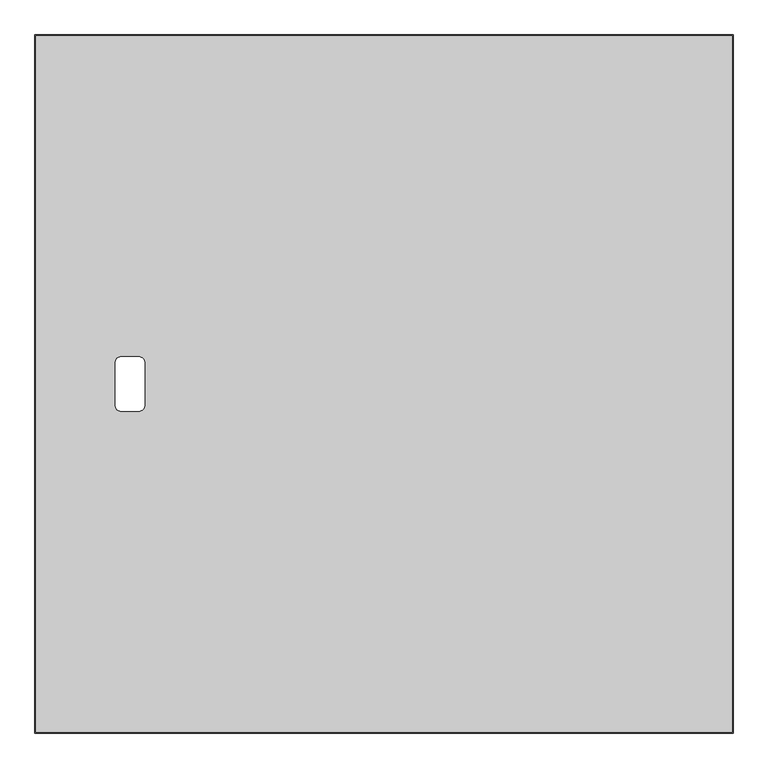
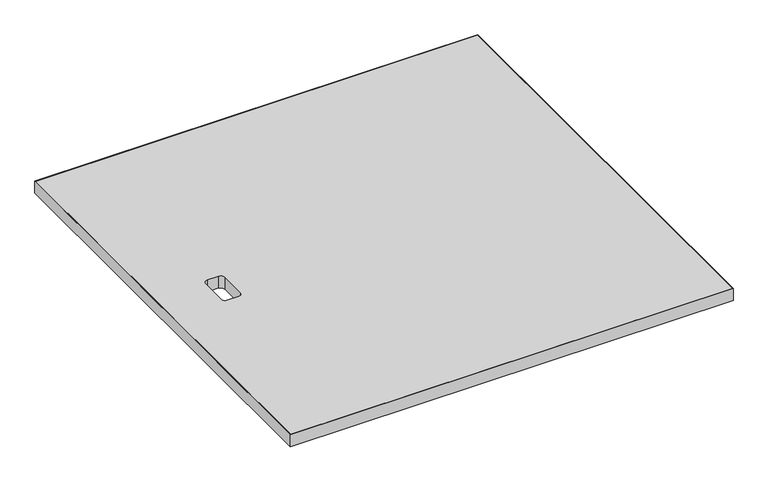
"""IFC4 building model written with IfcOpenShell, lengths in millimetres: furniture geometry."""

from ifc_helpers import new_model, si_unit, point, frame, frame_2d, origin, place, context, project, spatial, polyline, circle_curve, trimmed, segment, composite_curve, outline, extrude, source, transform, mapped, element, save


def furniture_313f5ff5(model_context):
    return source(origin(), model_context, "Body", "SweptSolid", [
        extrude(outline(polyline([(1065.784, 1065.784), (1065.784, 1.016), (1.016, 1.016), (1.016, 1065.784), (1065.784, 1065.784)]), holes=[composite_curve([segment(polyline([(122.4280013, 565.6580056), (122.4280013, 501.1419944)]), True, "CONTINUOUS"), segment(trimmed(circle_curve(frame_2d((131.9530013, 501.1419944)), 9.525), [point((122.4280013, 501.1419944))], [point((131.9530013, 491.6169944))], True, "CARTESIAN"), True, "CONTINUOUS"), segment(polyline([(131.9530013, 491.6169944), (158.3690034, 491.6169944)]), True, "CONTINUOUS"), segment(trimmed(circle_curve(frame_2d((158.3690034, 501.1419944)), 9.525), [point((158.3690034, 491.6169944))], [point((167.8940034, 501.1419944))], True, "CARTESIAN"), True, "CONTINUOUS"), segment(polyline([(167.8940034, 501.1419944), (167.8940034, 565.6579874)]), True, "CONTINUOUS"), segment(trimmed(circle_curve(frame_2d((158.3690034, 565.6579874)), 9.525), [point((167.8940034, 565.6579874))], [point((158.3690034, 575.1829874))], True, "CARTESIAN"), True, "CONTINUOUS"), segment(polyline([(158.3690034, 575.1829874), (131.9529832, 575.1829874)]), True, "CONTINUOUS"), segment(trimmed(circle_curve(frame_2d((131.9529832, 565.6580056)), 9.5249818), [point((131.9529832, 575.1829874))], [point((122.4280013, 565.6580056))], True, "CARTESIAN"), True, "CONTINUOUS")], self_intersect=False)]), frame((0.0, 0.0, 697.2297529), z_axis=(0.0, 0.0, 1.0), x_axis=(1.0, 0.0, 0.0)), (0.0, 0.0, 1.0), 29.972),
        extrude(outline(polyline([(1066.8, 0.0), (0.0, 0.0), (0.0, 1066.8), (1066.8, 1066.8), (1066.8, 0.0)]), holes=[polyline([(1065.784, 1065.784), (1.016, 1065.784), (1.016, 1.016), (1065.784, 1.016), (1065.784, 1065.784)])]), frame((0.0, 0.0, 697.2297529), z_axis=(0.0, 0.0, 1.0), x_axis=(1.0, 0.0, 0.0)), (0.0, 0.0, 1.0), 29.972),
    ])


if __name__ == "__main__":
    model = new_model("IFC4")
    model_context = context("Model", 3, world=origin())
    ifc_project = project(units=[si_unit("LENGTHUNIT", "METRE", prefix="MILLI")], contexts=[model_context])
    site = spatial("IfcSite", under=ifc_project)
    building = spatial("IfcBuilding", under=site)
    placement = place(None, origin())
    furniture_shape = furniture_313f5ff5(model_context)
    element("IfcFurniture", 1, at=placement, inside=building, context=model_context, shape_type="MappedRepresentation", body=[
        mapped(furniture_shape, transform((0.0, 0.0, 0.0), x_axis=(1.0, 0.0, 0.0), y_axis=(0.0, 1.0, 0.0), z_axis=(0.0, 0.0, 1.0))),
    ])
    save(model, "model.ifc")
